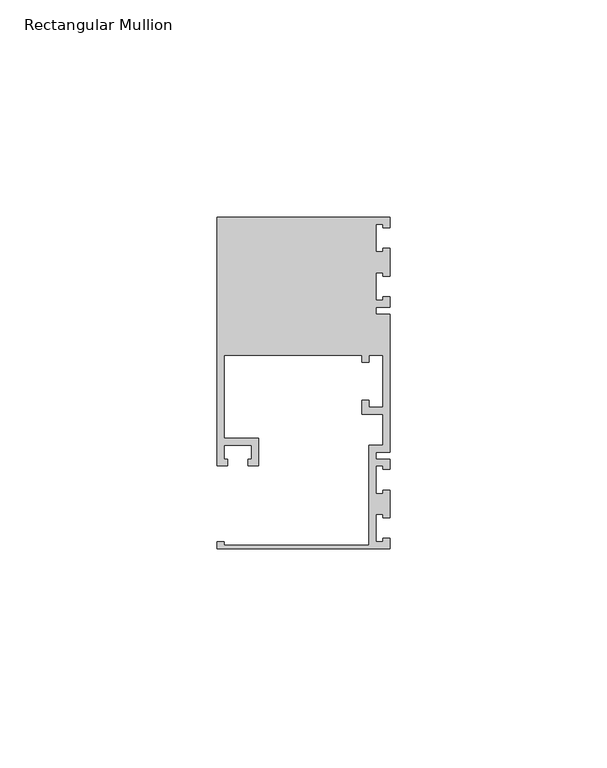
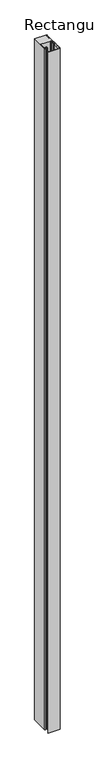
"""IFC4 building model written with IfcOpenShell, lengths in millimetres: member geometry, Rectangular Mullion."""

from ifc_helpers import new_model, si_unit, frame, origin, place, context, project, spatial, polyline, outline, extrude, source, transform, mapped, element, save


def rectangular_mullion_185bb22b(model_context):
    return source(origin(), model_context, "Body", "SweptSolid", [
        extrude(outline(polyline([(0.0, -38.1), (-39.6875, -38.1), (-39.6875, -36.5125), (-38.1, -36.5125), (-38.1, -37.30625), (-4.7625, -37.30625), (-4.7625, -14.2875), (-1.5875, -14.2875), (-1.5875, -7.14375), (-6.35, -7.14375), (-6.35, -3.96875), (-4.7625, -3.96875), (-4.7625, -5.55625), (-1.5875, -5.55625), (-1.5875, 6.35), (-4.7625, 6.35), (-4.7625, 4.7625), (-6.35, 4.7625), (-6.35, 6.35), (-38.1, 6.35), (-38.1, -12.7), (-30.1625, -12.7), (-30.1625, -19.05), (-32.54375, -19.05), (-32.54375, -17.4625), (-31.75, -17.4625), (-31.75, -14.2875), (-38.1, -14.2875), (-38.1, -17.4625), (-37.30625, -17.4625), (-37.30625, -19.05), (-39.6875, -19.05), (-39.6875, 38.1), (0.0, 38.1), (0.0, 35.71875), (-1.4999946, 35.71875), (-1.4999946, 36.5125), (-3.175, 36.5125), (-3.175, 30.1625), (-1.4999946, 30.1625), (-1.4999946, 30.95625), (0.0, 30.95625), (0.0, 24.60625), (-1.4999946, 24.60625), (-1.4999946, 25.4), (-3.175, 25.4), (-3.175, 19.05), (-1.4999946, 19.05), (-1.4999946, 19.84375), (0.0, 19.84375), (0.0, 17.4625), (-3.175, 17.4625), (-3.175, 15.875), (0.0, 15.875), (0.0, -15.875), (-3.175, -15.875), (-3.175, -17.4625), (0.0, -17.4625), (0.0, -19.84375), (-1.4999946, -19.84375), (-1.4999946, -19.05), (-3.175, -19.05), (-3.175, -25.4), (-1.4999946, -25.4), (-1.4999946, -24.60625), (0.0, -24.60625), (0.0, -30.95625), (-1.4999946, -30.95625), (-1.4999946, -30.1625), (-3.175, -30.1625), (-3.175, -36.5125), (-1.4999946, -36.5125), (-1.4999946, -35.71875), (0.0, -35.71875), (0.0, -38.1)])), frame((0.0, 0.0, -2359.025), z_axis=(0.0, 0.0, 1.0), x_axis=(1.0, 0.0, 0.0)), (0.0, 0.0, 1.0), 2359.025),
    ])


if __name__ == "__main__":
    model = new_model("IFC4")
    model_context = context("Model", 3, world=origin())
    ifc_project = project(units=[si_unit("LENGTHUNIT", "METRE", prefix="MILLI")], contexts=[model_context])
    site = spatial("IfcSite", under=ifc_project)
    building = spatial("IfcBuilding", under=site)
    placement = place(None, origin())
    rectangular_mullion_shape = rectangular_mullion_185bb22b(model_context)
    element("IfcMember", 1, ObjectType="Rectangular Mullion", at=placement, inside=building, context=model_context, shape_type="MappedRepresentation", body=[
        mapped(rectangular_mullion_shape, transform((0.0, 0.0, 0.0), x_axis=(1.0, 0.0, 0.0), y_axis=(0.0, 1.0, 0.0), z_axis=(0.0, 0.0, 1.0))),
    ])
    save(model, "model.ifc")
